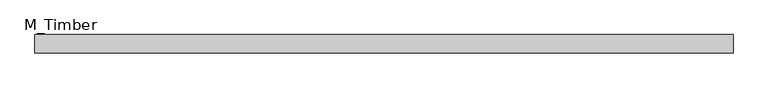
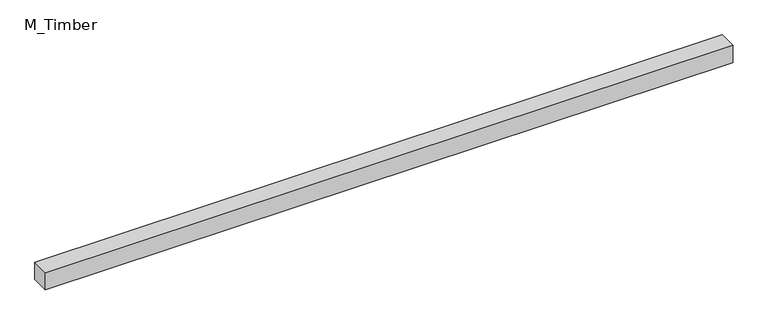
"""IFC4 building model written with IfcOpenShell, lengths in millimetres: beam geometry, M_Timber."""

import ifcopenshell
import ifcopenshell.guid

model = None  # the IFC model being written
_history = None  # IfcOwnerHistory: only IFC2X3 demands one
_inside = {}  # id of a spatial element -> (the spatial element, [elements in it])
_under = {}  # id of a project, library or spatial element -> (it, [spatial elements below it])
_declared = {}  # id of a project -> (the project, [libraries it declares])
_typed = {}  # id of a type object -> (the type object, [elements of that type])
_made_of = {}  # id of a material, layer set ... -> (it, [elements and type objects made of it])


def new_model(schema):
    """Start an empty IFC model of exactly this schema.

    Asked for "IFC4X3", IfcOpenShell would pick the latest addendum, in which some entities
    have other attributes; the version numbers below select the first issue.
    IFC2X3 requires an IfcOwnerHistory on every rooted entity: one is made here for all.
    """
    global model, _history
    if schema == "IFC4X3":
        model = ifcopenshell.file(schema_version=(4, 3, 0, 0))
    else:
        model = ifcopenshell.file(schema=schema)
    _inside.clear()
    _under.clear()
    _declared.clear()
    _typed.clear()
    _made_of.clear()
    _history = None
    if model.schema == "IFC2X3":
        org = make("IfcOrganization", Name="unknown")
        user = make(
            "IfcPersonAndOrganization",
            ThePerson=make("IfcPerson", FamilyName="unknown"),
            TheOrganization=org,
        )
        app = make(
            "IfcApplication",
            ApplicationDeveloper=org,
            Version="unknown",
            ApplicationFullName="unknown",
            ApplicationIdentifier="unknown",
        )
        _history = make(
            "IfcOwnerHistory",
            OwningUser=user,
            OwningApplication=app,
            ChangeAction="ADDED",
            CreationDate=0,
        )
    return model


def make(cls, **values):
    """One entity of the class cls with the attributes given. An attribute that is None is left unset."""
    return model.create_entity(
        cls, **{name: value for name, value in values.items() if value is not None}
    )


def rooted(cls, **values):
    """An entity with a GlobalId (a new one), such as an element, a storey or a relation."""
    return make(cls, GlobalId=ifcopenshell.guid.new(), OwnerHistory=_history, **values)


def si_unit(unit_type, name, prefix=None):
    """IfcSIUnit, for example si_unit("LENGTHUNIT", "METRE", prefix="MILLI")."""
    return make("IfcSIUnit", UnitType=unit_type, Prefix=prefix, Name=name)


def assignment(units):
    """IfcUnitAssignment: the units of a project."""
    return None if units is None else make("IfcUnitAssignment", Units=units)


def point(xyz):
    """IfcCartesianPoint."""
    return None if xyz is None else make("IfcCartesianPoint", Coordinates=xyz)


def direction(xyz):
    """IfcDirection."""
    return None if xyz is None else make("IfcDirection", DirectionRatios=xyz)


def frame(location, z_axis=None, x_axis=None):
    """IfcAxis2Placement3D, a coordinate frame: its origin and axes. An axis left out is left unset."""
    return make(
        "IfcAxis2Placement3D",
        Location=point(location),
        Axis=direction(z_axis),
        RefDirection=direction(x_axis),
    )


def origin():
    """The frame at (0, 0, 0) with its axes left unset."""
    return frame((0.0, 0.0, 0.0))


def place(relative_to, where):
    """IfcLocalPlacement: puts the frame where relative to a parent placement (None: the world)."""
    return make(
        "IfcLocalPlacement", PlacementRelTo=relative_to, RelativePlacement=where
    )


def context(
    kind, dimensions, precision=None, world=None, true_north=None, identifier=None
):
    """IfcGeometricRepresentationContext, for example the 3D "Model" context."""
    return make(
        "IfcGeometricRepresentationContext",
        ContextIdentifier=identifier,
        ContextType=kind,
        CoordinateSpaceDimension=dimensions,
        Precision=precision,
        WorldCoordinateSystem=world,
        TrueNorth=true_north,
    )


def project(units=None, contexts=None):
    """IfcProject with its units and contexts."""
    return rooted(
        "IfcProject",
        Name="project",
        RepresentationContexts=contexts,
        UnitsInContext=assignment(units),
    )


def spatial(cls, under=None, at=None, **own):
    """A site, building, storey or space (cls), placed at a placement, below another one or the project."""
    s = rooted(cls, ObjectPlacement=at, **own)
    if under is not None:
        _under.setdefault(under.id(), (under, []))[1].append(s)
    return s


def polyline(points):
    """IfcPolyline through the points."""
    return make("IfcPolyline", Points=[point(p) for p in points])


def outline(outer, holes=None, kind="AREA"):
    """IfcArbitraryClosedProfileDef: a profile drawn as a closed curve; with holes, ...WithVoids."""
    if holes is None:
        return make("IfcArbitraryClosedProfileDef", ProfileType=kind, OuterCurve=outer)
    return make(
        "IfcArbitraryProfileDefWithVoids",
        ProfileType=kind,
        OuterCurve=outer,
        InnerCurves=holes,
    )


def extrude(swept, where, along, depth):
    """IfcExtrudedAreaSolid: the profile swept, set in the frame where, extruded along a direction by depth."""
    return make(
        "IfcExtrudedAreaSolid",
        SweptArea=swept,
        Position=where,
        ExtrudedDirection=direction(along),
        Depth=depth,
    )


def shape(context_of_items, identifier, shape_type, items):
    """IfcShapeRepresentation: the items that make up one representation, for example the "Body"."""
    return make(
        "IfcShapeRepresentation",
        ContextOfItems=context_of_items,
        RepresentationIdentifier=identifier,
        RepresentationType=shape_type,
        Items=items,
    )


def source(mapping_origin, context_of_items, identifier, shape_type, items):
    """IfcRepresentationMap: a shape defined once, which mapped items show again and again."""
    return make(
        "IfcRepresentationMap",
        MappingOrigin=mapping_origin,
        MappedRepresentation=shape(context_of_items, identifier, shape_type, items),
    )


def transform(
    local_origin,
    x_axis=None,
    y_axis=None,
    z_axis=None,
    scale=None,
    scale2=None,
    scale3=None,
    uniform=True,
):
    """IfcCartesianTransformationOperator3D, or its non-uniform kind. x_axis, y_axis, z_axis: its Axis1, 2, 3."""
    if uniform:
        return make(
            "IfcCartesianTransformationOperator3D",
            Axis1=direction(x_axis),
            Axis2=direction(y_axis),
            LocalOrigin=point(local_origin),
            Scale=scale,
            Axis3=direction(z_axis),
        )
    return make(
        "IfcCartesianTransformationOperator3DnonUniform",
        Axis1=direction(x_axis),
        Axis2=direction(y_axis),
        LocalOrigin=point(local_origin),
        Scale=scale,
        Axis3=direction(z_axis),
        Scale2=scale2,
        Scale3=scale3,
    )


def mapped(mapping_source, mapping_target):
    """IfcMappedItem: shows the shape of a source again, moved by a transform."""
    return make(
        "IfcMappedItem", MappingSource=mapping_source, MappingTarget=mapping_target
    )


def made_of(thing, what):
    """Note that an element or type object is made of a material, layer set ...; save() writes the relation."""
    if what is not None:
        _made_of.setdefault(what.id(), (what, []))[1].append(thing)
    return thing


def element(
    cls,
    number,
    at=None,
    inside=None,
    cuts=None,
    type_object=None,
    material=None,
    context=None,
    identifier="Body",
    shape_type=None,
    held_by="IfcProductDefinitionShape",
    body=None,
    shapes=None,
    **own,
):
    """One element of the class cls, such as IfcWall. Its Tag is "e" and its number.

    at: its placement. inside: the storey or other place that contains it. cuts: it is an
    opening in that element (IfcRelVoidsElement). A single representation is given by context,
    identifier, shape_type and body (its items); several are given by shapes. held_by: the class
    of the entity that holds the representations. save() writes the other relations.
    """
    e = rooted(cls, Tag="e%d" % number, ObjectPlacement=at, **own)
    if body is not None:
        shapes = [shape(context, identifier, shape_type, body)]
    if shapes is not None:
        e.Representation = make(held_by, Representations=shapes)
    if inside is not None:
        _inside.setdefault(inside.id(), (inside, []))[1].append(e)
    if cuts is not None:
        rooted(
            "IfcRelVoidsElement", RelatingBuildingElement=cuts, RelatedOpeningElement=e
        )
    if type_object is not None:
        _typed.setdefault(type_object.id(), (type_object, []))[1].append(e)
    return made_of(e, material)


def aggregate(whole, parts):
    """IfcRelAggregates: a whole, such as a stair, and the parts it consists of."""
    return rooted("IfcRelAggregates", RelatingObject=whole, RelatedObjects=parts)


def save(model, path):
    """Write the relations noted so far, then the file.

    IfcRelAggregates (storeys below a building ...), IfcRelContainedInSpatialStructure (elements
    in a storey), IfcRelDefinesByType, IfcRelAssociatesMaterial and IfcRelDeclares: one each for
    every whole, place, type object, material and project.
    """
    for whole, parts in _under.values():
        aggregate(whole, parts)
    for where, things in _inside.values():
        rooted(
            "IfcRelContainedInSpatialStructure",
            RelatedElements=things,
            RelatingStructure=where,
        )
    for kind, things in _typed.values():
        rooted("IfcRelDefinesByType", RelatedObjects=things, RelatingType=kind)
    for what, things in _made_of.values():
        rooted("IfcRelAssociatesMaterial", RelatedObjects=things, RelatingMaterial=what)
    for by, libraries in _declared.values():
        rooted("IfcRelDeclares", RelatingContext=by, RelatedDefinitions=libraries)
    model.write(path)


def m_timber_12a81804(model_context):
    return source(origin(), model_context, "Body", "SweptSolid", [
        extrude(outline(polyline([(755.9167623, 20.0), (755.9167623, -20.0), (-755.9167623, -20.0), (-755.9167623, 20.0), (755.9167623, 20.0)])), frame((0.0, 0.0, -20.0), z_axis=(0.0, 0.0, 1.0), x_axis=(1.0, 0.0, 0.0)), (0.0, 0.0, 1.0), 40.0),
    ])


if __name__ == "__main__":
    model = new_model("IFC4")
    model_context = context("Model", 3, world=origin())
    ifc_project = project(units=[si_unit("LENGTHUNIT", "METRE", prefix="MILLI")], contexts=[model_context])
    site = spatial("IfcSite", under=ifc_project)
    building = spatial("IfcBuilding", under=site)
    placement = place(None, origin())
    m_timber_shape = m_timber_12a81804(model_context)
    element("IfcBeam", 1, ObjectType="M_Timber", at=placement, inside=building, context=model_context, shape_type="MappedRepresentation", body=[
        mapped(m_timber_shape, transform((0.0, 0.0, 0.0), x_axis=(1.0, 0.0, 0.0), y_axis=(0.0, 1.0, 0.0), z_axis=(0.0, 0.0, 1.0))),
    ])
    save(model, "model.ifc")
